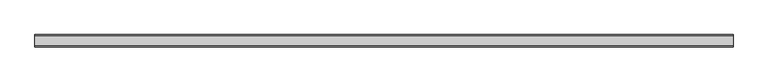
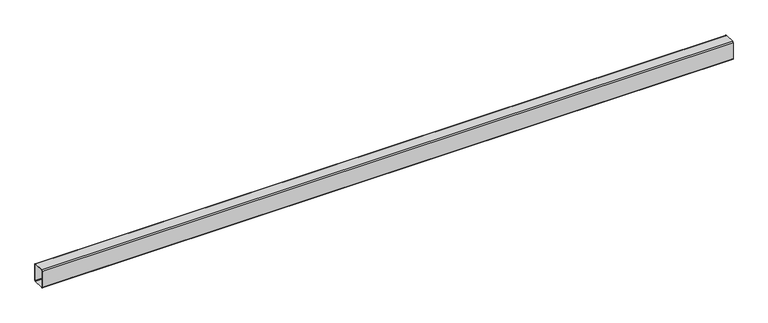
"""IFC4 building model written with IfcOpenShell, lengths in millimetres: beam geometry."""

from ifc_helpers import new_model, si_unit, point, frame, frame_2d, origin, place, context, project, spatial, polyline, circle_curve, trimmed, segment, composite_curve, outline, extrude, source, transform, mapped, element, save


def beam_92183f70(model_context):
    return source(origin(), model_context, "Body", "SweptSolid", [
        extrude(outline(composite_curve([segment(polyline([(-21.0, 37.5), (21.0, 37.5)]), True, "CONTINUOUS"), segment(trimmed(circle_curve(frame_2d((21.0, 33.5)), 4.0), [point((21.0, 37.5))], [point((25.0, 33.5))], False, "CARTESIAN"), True, "CONTINUOUS"), segment(polyline([(25.0, 33.5), (25.0, -33.5)]), True, "CONTINUOUS"), segment(trimmed(circle_curve(frame_2d((21.0, -33.5)), 4.0), [point((25.0, -33.5))], [point((21.0, -37.5))], False, "CARTESIAN"), True, "CONTINUOUS"), segment(polyline([(21.0, -37.5), (-21.0, -37.5)]), True, "CONTINUOUS"), segment(trimmed(circle_curve(frame_2d((-21.0, -33.5)), 4.0), [point((-21.0, -37.5))], [point((-25.0, -33.5))], False, "CARTESIAN"), True, "CONTINUOUS"), segment(polyline([(-25.0, -33.5), (-25.0, 33.5)]), True, "CONTINUOUS"), segment(trimmed(circle_curve(frame_2d((-21.0, 33.5)), 4.0), [point((-25.0, 33.5))], [point((-21.0, 37.5))], False, "CARTESIAN"), True, "CONTINUOUS")], self_intersect=False), holes=[composite_curve([segment(trimmed(circle_curve(frame_2d((-21.0, 33.5)), 2.0), [point((-21.0, 35.5))], [point((-23.0, 33.5))], True, "CARTESIAN"), True, "CONTINUOUS"), segment(polyline([(-23.0, 33.5), (-23.0, -33.5)]), True, "CONTINUOUS"), segment(trimmed(circle_curve(frame_2d((-21.0, -33.5)), 2.0), [point((-23.0, -33.5))], [point((-21.0, -35.5))], True, "CARTESIAN"), True, "CONTINUOUS"), segment(polyline([(-21.0, -35.5), (21.0, -35.5)]), True, "CONTINUOUS"), segment(trimmed(circle_curve(frame_2d((21.0, -33.5)), 2.0), [point((21.0, -35.5))], [point((23.0, -33.5))], True, "CARTESIAN"), True, "CONTINUOUS"), segment(polyline([(23.0, -33.5), (23.0, 33.5)]), True, "CONTINUOUS"), segment(trimmed(circle_curve(frame_2d((21.0, 33.5)), 2.0), [point((23.0, 33.5))], [point((21.0, 35.5))], True, "CARTESIAN"), True, "CONTINUOUS"), segment(polyline([(21.0, 35.5), (-21.0, 35.5)]), True, "CONTINUOUS")], self_intersect=False)]), frame((-1424.7264344, 0.0, 0.0), z_axis=(1.0, 0.0, 0.0), x_axis=(0.0, 1.0, 0.0)), (0.0, 0.0, 1.0), 2774.4528687),
    ])


if __name__ == "__main__":
    model = new_model("IFC4")
    model_context = context("Model", 3, world=origin())
    ifc_project = project(units=[si_unit("LENGTHUNIT", "METRE", prefix="MILLI")], contexts=[model_context])
    site = spatial("IfcSite", under=ifc_project)
    building = spatial("IfcBuilding", under=site)
    placement = place(None, origin())
    beam_shape = beam_92183f70(model_context)
    element("IfcBeam", 1, at=placement, inside=building, context=model_context, shape_type="MappedRepresentation", body=[
        mapped(beam_shape, transform((0.0, 0.0, 0.0), x_axis=(1.0, 0.0, 0.0), y_axis=(0.0, 1.0, 0.0), z_axis=(0.0, 0.0, 1.0))),
    ])
    save(model, "model.ifc")
